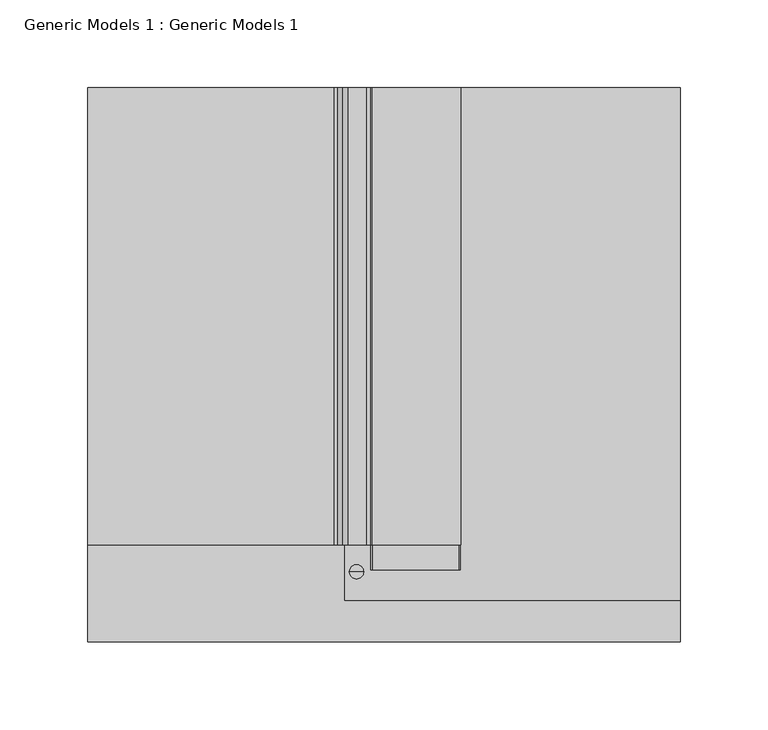
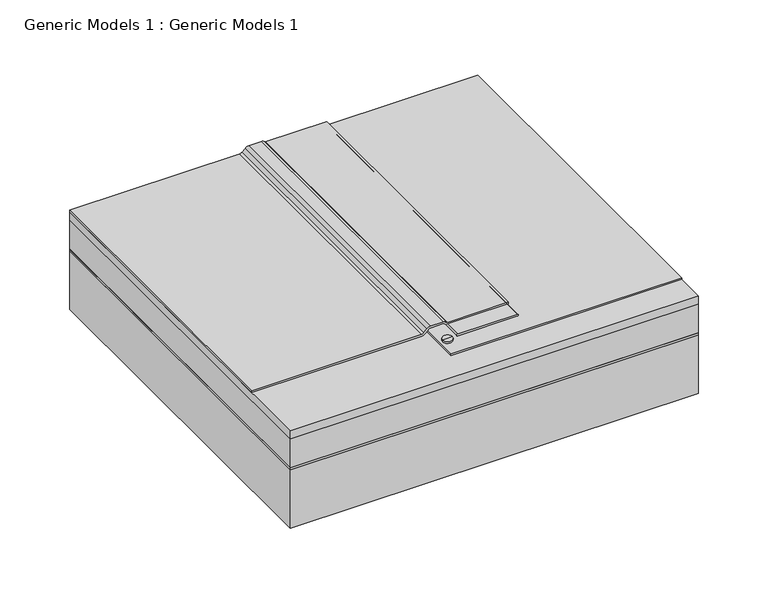
"""IFC4 building model written with IfcOpenShell, lengths in millimetres: proxy geometry, Generic Models 1 : Generic Models 1."""

from ifc_helpers import new_model, si_unit, point, frame, frame_2d, origin, place, context, project, spatial, polyline, circle_curve, trimmed, segment, composite_curve, outline, extrude, source, transform, mapped, element, save
from ifc_brep_helpers import plane_surface, cylinder_surface, revolved_surface, advanced_brep


def generic_models_1_generic_models_1_e4bf62ff(model_context):
    return source(origin(), model_context, "Body", "SolidModel", [
        extrude(outline(composite_curve([segment(polyline([(196.85, 212.4526281), (196.85, 261.6160615)]), True, "CONTINUOUS"), segment(trimmed(circle_curve(frame_2d((197.64375, 261.6160615)), 0.79375), [point((196.85, 261.6160615))], [point((198.4375, 261.6160615))], False, "CARTESIAN"), True, "CONTINUOUS"), segment(polyline([(198.4375, 261.6160615), (198.4375, 212.4526281)]), True, "CONTINUOUS"), segment(trimmed(circle_curve(frame_2d((197.64375, 212.4526281)), 0.79375), [point((198.4375, 212.4526281))], [point((196.85, 212.4526281))], False, "CARTESIAN"), True, "CONTINUOUS")], self_intersect=False)), frame((0.0, 43.2158044, 0.0), z_axis=(0.0, 1.0, 0.0), x_axis=(0.0, 0.0, 1.0)), (0.0, 0.0, 1.0), 274.2841956),
        advanced_brep(
        [(203.4562607, 42.2515896, 198.4495694), (199.4225561, 42.2515896, 198.4495694), (207.4899654, 42.2515896, 198.4495694), (199.4225561, 42.2515896, 196.85), (207.4899654, 42.2515896, 196.85), (203.0652437, 42.2515896, 196.85), (203.8472778, 42.2515896, 196.85), (203.0652437, 42.2515896, 149.8066551), (203.8472778, 42.2515896, 149.8066551), (203.4562607, 42.2515896, 146.6220765)],
        [
            (0, 1),
            (1, 2, circle_curve(frame((203.4562607, 42.2515896, 198.4495694), z_axis=(0.0, 0.0, 1.0), x_axis=(-1.0, 0.0, 0.0)), 4.0337046)),
            (2, 0),
            (1, 3),
            (3, 4, circle_curve(frame((203.4562607, 42.2515896, 196.85), z_axis=(0.0, 0.0, 1.0), x_axis=(-1.0, 0.0, 0.0)), 4.0337046)),
            (4, 2),
            (3, 5),
            (5, 6, circle_curve(frame((203.4562607, 42.2515896, 196.85), z_axis=(0.0, 0.0, 1.0), x_axis=(-1.0, 0.0, 0.0)), 0.3910171)),
            (6, 4),
            (5, 7),
            (7, 8, circle_curve(frame((203.4562607, 42.2515896, 149.8066551), z_axis=(0.0, 0.0, 1.0), x_axis=(-1.0, 0.0, 0.0)), 0.3910171)),
            (8, 6),
            (7, 9),
            (9, 8),
            (7, 8, circle_curve(frame((203.4562607, 42.2515896, 149.8066551), z_axis=(0.0, 0.0, -1.0), x_axis=(-1.0, 0.0, 0.0)), 0.3910171)),
            (5, 6, circle_curve(frame((203.4562607, 42.2515896, 196.85), z_axis=(0.0, 0.0, -1.0), x_axis=(-1.0, 0.0, 0.0)), 0.3910171)),
            (3, 4, circle_curve(frame((203.4562607, 42.2515896, 196.85), z_axis=(0.0, 0.0, -1.0), x_axis=(-1.0, 0.0, 0.0)), 4.0337046)),
            (1, 2, circle_curve(frame((203.4562607, 42.2515896, 198.4495694), z_axis=(0.0, 0.0, -1.0), x_axis=(-1.0, 0.0, 0.0)), 4.0337046)),
        ],
        [
            plane_surface(frame((203.4562607, 42.2515896, 198.4495694), z_axis=(0.0, 0.0, 1.0), x_axis=(-1.0, 0.0, 0.0))),
            cylinder_surface(frame((203.4562607, 42.2515896, 194.9841474), z_axis=(0.0, 0.0, 1.0), x_axis=(-1.0, 0.0, 0.0)), 4.0337046),
            plane_surface(frame((203.4562607, 42.2515896, 196.85), z_axis=(0.0, 0.0, -1.0), x_axis=(-1.0, 0.0, 0.0))),
            cylinder_surface(frame((203.4562607, 42.2515896, 194.9841474), z_axis=(0.0, 0.0, 1.0), x_axis=(-1.0, 0.0, 0.0)), 0.3910171),
            revolved_surface(polyline([(203.4562607, 42.2515896, 146.6220765), (203.0652437, 42.2515896, 149.8066551)]), (203.4562607, 42.2515896, 194.9841474), (0.0, 0.0, 1.0)),
        ],
        [
            (0, [[1, 2, 3]]),
            (1, [[-2, 4, 5, 6]]),
            (2, [[-5, 7, 8, 9]]),
            (3, [[-8, 10, 11, 12]]),
            (4, [[-11, 13, 14]]),
            (4, [[15, -14, -13]]),
            (3, [[16, -12, -15, -10]]),
            (2, [[17, -9, -16, -7]]),
            (1, [[18, -6, -17, -4]]),
            (0, [[-3, -18, -1]]),
        ],
    ),
        advanced_brep(
        [(208.892436, 57.5500091, 200.025), (210.0772306, 57.5500091, 199.4941068), (212.4526281, 57.5500091, 198.4375), (262.595064, 57.5500091, 198.4375), (262.595064, 57.5500091, 200.025), (212.4526281, 57.5500091, 200.025), (211.2678334, 57.5500091, 200.5558932), (208.892436, 57.5500091, 201.6125), (198.6776495, 57.5500091, 201.6125), (195.3100535, 57.5500091, 200.217596), (192.8723934, 57.5500091, 197.779936), (190.6273294, 57.5500091, 196.85), (50.8, 57.5500091, 196.85), (50.8, 57.5500091, 195.2625), (190.6273294, 57.5500091, 195.2625), (193.9949254, 57.5500091, 196.657404), (196.4325855, 57.5500091, 199.095064), (198.6776495, 57.5500091, 200.025), (208.892436, 317.5, 200.025), (198.6776495, 317.5, 200.025), (196.4325855, 317.5, 199.095064), (193.9949254, 317.5, 196.657404), (190.6273294, 317.5, 195.2625), (50.8, 317.5, 195.2625), (50.8, 317.5, 196.85), (190.6273294, 317.5, 196.85), (192.8723934, 317.5, 197.779936), (195.3100535, 317.5, 200.217596), (198.6776495, 317.5, 201.6125), (208.892436, 317.5, 201.6125), (211.2620253, 317.5, 200.5507135), (212.4526281, 317.5, 200.025), (262.595064, 317.5, 200.025), (262.595064, 317.5, 198.4375), (212.4526281, 317.5, 198.4375), (210.0830387, 317.5, 199.4992865)],
        [
            (0, 1, circle_curve(frame((208.892436, 57.5500091, 198.4375), z_axis=(0.0, 1.0, 0.0), x_axis=(1.0, 0.0, 0.0)), 1.5875)),
            (1, 2, circle_curve(frame((212.4526281, 57.5500091, 201.6125), z_axis=(0.0, -1.0, 0.0), x_axis=(1.0, 0.0, 0.0)), 3.175)),
            (2, 3),
            (3, 4),
            (4, 5),
            (5, 6, circle_curve(frame((212.4526281, 57.5500091, 201.6125), z_axis=(0.0, 1.0, 0.0), x_axis=(1.0, 0.0, 0.0)), 1.5875)),
            (6, 7, circle_curve(frame((208.892436, 57.5500091, 198.4375), z_axis=(0.0, -1.0, 0.0), x_axis=(1.0, 0.0, 0.0)), 3.175)),
            (7, 8),
            (8, 9, circle_curve(frame((198.6776495, 57.5500091, 196.85), z_axis=(0.0, -1.0, 0.0), x_axis=(1.0, 0.0, 0.0)), 4.7625)),
            (9, 10),
            (10, 11, circle_curve(frame((190.6273294, 57.5500091, 200.025), z_axis=(0.0, 1.0, 0.0), x_axis=(1.0, 0.0, 0.0)), 3.175)),
            (11, 12),
            (12, 13),
            (13, 14),
            (14, 15, circle_curve(frame((190.6273294, 57.5500091, 200.025), z_axis=(0.0, -1.0, 0.0), x_axis=(1.0, 0.0, 0.0)), 4.7625)),
            (15, 16),
            (16, 17, circle_curve(frame((198.6776495, 57.5500091, 196.85), z_axis=(0.0, 1.0, 0.0), x_axis=(1.0, 0.0, 0.0)), 3.175)),
            (17, 0),
            (18, 19),
            (19, 20, circle_curve(frame((198.6776495, 317.5, 196.85), z_axis=(0.0, -1.0, 0.0), x_axis=(1.0, 0.0, 0.0)), 3.175)),
            (20, 21),
            (21, 22, circle_curve(frame((190.6273294, 317.5, 200.025), z_axis=(0.0, 1.0, 0.0), x_axis=(1.0, 0.0, 0.0)), 4.7625)),
            (22, 23),
            (23, 24),
            (24, 25),
            (25, 26, circle_curve(frame((190.6273294, 317.5, 200.025), z_axis=(0.0, -1.0, 0.0), x_axis=(1.0, 0.0, 0.0)), 3.175)),
            (26, 27),
            (27, 28, circle_curve(frame((198.6776495, 317.5, 196.85), z_axis=(0.0, 1.0, 0.0), x_axis=(1.0, 0.0, 0.0)), 4.7625)),
            (28, 29),
            (29, 30, circle_curve(frame((208.892436, 317.5, 198.4375), z_axis=(0.0, 1.0, 0.0), x_axis=(1.0, 0.0, 0.0)), 3.175)),
            (30, 31, circle_curve(frame((212.4526281, 317.5, 201.6125), z_axis=(0.0, -1.0, 0.0), x_axis=(1.0, 0.0, 0.0)), 1.5875)),
            (31, 32),
            (32, 33),
            (33, 34),
            (34, 35, circle_curve(frame((212.4526281, 317.5, 201.6125), z_axis=(0.0, 1.0, 0.0), x_axis=(1.0, 0.0, 0.0)), 3.175)),
            (35, 18, circle_curve(frame((208.892436, 317.5, 198.4375), z_axis=(0.0, -1.0, 0.0), x_axis=(1.0, 0.0, 0.0)), 1.5875)),
            (18, 0),
            (17, 19),
            (28, 8),
            (7, 29),
            (20, 16),
            (15, 21),
            (22, 14),
            (13, 23),
            (12, 24),
            (11, 25),
            (26, 10),
            (9, 27),
            (31, 5),
            (4, 32),
            (3, 33),
            (2, 34),
            (6, 30),
            (1, 35),
        ],
        [
            plane_surface(frame((-285.75, 57.5500091, 200.025), z_axis=(0.0, -1.0, 0.0), x_axis=(1.0, 0.0, 0.0))),
            plane_surface(frame((-285.75, 317.5, 200.025), z_axis=(0.0, 1.0, 0.0), x_axis=(-1.0, 0.0, 0.0))),
            plane_surface(frame((208.892436, 317.5, 200.025), z_axis=(0.0, 0.0, -1.0), x_axis=(0.0, -1.0, 0.0))),
            plane_surface(frame((198.6776495, 317.5, 201.6125), z_axis=(0.0, 0.0, 1.0), x_axis=(0.0, -1.0, 0.0))),
            plane_surface(frame((196.4325855, 317.5, 199.095064), z_axis=(0.7071067811865573, 0.0, -0.7071067811865377), x_axis=(0.0, -1.0, 0.0))),
            plane_surface(frame((190.6273294, 317.5, 195.2625), z_axis=(0.0, 0.0, -1.0), x_axis=(0.0, -1.0, 0.0))),
            plane_surface(frame((50.8, 317.5, 195.2625), z_axis=(-1.0, 0.0, 0.0), x_axis=(0.0, -1.0, 0.0))),
            plane_surface(frame((50.8, 317.5, 196.85), z_axis=(0.0, 0.0, 1.0), x_axis=(0.0, -1.0, 0.0))),
            plane_surface(frame((192.8723934, 317.5, 197.779936), z_axis=(-0.7071067811865476, 0.0, 0.7071067811865476), x_axis=(0.0, -1.0, 0.0))),
            plane_surface(frame((212.4526281, 317.5, 200.025), z_axis=(0.0, 0.0, 1.0), x_axis=(0.0, -1.0, 0.0))),
            plane_surface(frame((262.595064, 317.5, 200.025), z_axis=(1.0, 0.0, 0.0), x_axis=(0.0, -1.0, 0.0))),
            plane_surface(frame((262.595064, 317.5, 198.4375), z_axis=(0.0, 0.0, -1.0), x_axis=(0.0, -1.0, 0.0))),
            revolved_surface(polyline([(201.8526495, 57.5500091, 196.85), (201.8526495, 317.5, 196.85)]), (198.6776495, 57.5500091, 196.85), (0.0, -1.0, 0.0)),
            cylinder_surface(frame((190.6273294, 57.5500091, 200.025), z_axis=(0.0, 1.0, 0.0), x_axis=(1.0, 0.0, 0.0)), 4.7625),
            revolved_surface(polyline([(193.80232940000002, 57.5500091, 200.025), (193.80232940000002, 317.5, 200.025)]), (190.6273294, 57.5500091, 200.025), (0.0, -1.0, 0.0)),
            cylinder_surface(frame((198.6776495, 57.5500091, 196.85), z_axis=(0.0, 1.0, 0.0), x_axis=(1.0, 0.0, 0.0)), 4.7625),
            cylinder_surface(frame((208.892436, 57.5500091, 198.4375), z_axis=(0.0, 1.0, 0.0), x_axis=(1.0, 0.0, 0.0)), 3.175),
            revolved_surface(polyline([(214.0401281, 57.5500091, 201.6125), (214.0401281, 317.5, 201.6125)]), (212.4526281, 57.5500091, 201.6125), (0.0, -1.0, 0.0)),
            cylinder_surface(frame((212.4526281, 57.5500091, 201.6125), z_axis=(0.0, 1.0, 0.0), x_axis=(1.0, 0.0, 0.0)), 3.175),
            revolved_surface(polyline([(210.479936, 57.5500091, 198.4375), (210.479936, 317.5, 198.4375)]), (208.892436, 57.5500091, 198.4375), (0.0, -1.0, 0.0)),
        ],
        [
            (0, [[1, 2, 3, 4, 5, 6, 7, 8, 9, 10, 11, 12, 13, 14, 15, 16, 17, 18]]),
            (1, [[19, 20, 21, 22, 23, 24, 25, 26, 27, 28, 29, 30, 31, 32, 33, 34, 35, 36]]),
            (2, [[-19, 37, -18, 38]]),
            (3, [[-29, 39, -8, 40]]),
            (4, [[-21, 41, -16, 42]]),
            (5, [[-23, 43, -14, 44]]),
            (6, [[-24, -44, -13, 45]]),
            (7, [[-25, -45, -12, 46]]),
            (8, [[-27, 47, -10, 48]]),
            (9, [[-32, 49, -5, 50]]),
            (10, [[-33, -50, -4, 51]]),
            (11, [[-34, -51, -3, 52]]),
            (12, [[-20, -38, -17, -41]]),
            (13, [[-22, -42, -15, -43]]),
            (14, [[-26, -46, -11, -47]]),
            (15, [[-28, -48, -9, -39]]),
            (16, [[-30, -40, -7, 53]]),
            (17, [[-31, -53, -6, -49]]),
            (18, [[-35, -52, -2, 54]]),
            (19, [[-36, -54, -1, -37]]),
        ],
    ),
        extrude(outline(polyline([(50.8, 317.5), (387.35, 317.5), (387.35, 2.38125), (50.8, 2.38125), (50.8, 317.5)])), frame((0.0, 0.0, 188.11875), z_axis=(0.0, 0.0, 1.0), x_axis=(1.0, 0.0, 0.0)), (0.0, 0.0, 1.0), 7.14375),
        extrude(outline(polyline([(50.8, 317.5), (387.35, 317.5), (387.35, 2.38125), (50.8, 2.38125), (50.8, 317.5)])), frame((0.0, 0.0, 161.13125), z_axis=(0.0, 0.0, 1.0), x_axis=(1.0, 0.0, 0.0)), (0.0, 0.0, 1.0), 1.5875),
        extrude(outline(polyline([(387.35, 2.38125), (50.8, 2.38125), (50.8, 317.5), (387.35, 317.5), (387.35, 2.38125)])), frame((0.0, 0.0, 110.33125), z_axis=(0.0, 0.0, 1.0), x_axis=(1.0, 0.0, 0.0)), (0.0, 0.0, 1.0), 50.8),
        extrude(outline(polyline([(196.85, 317.5), (387.35, 317.5), (387.35, 25.8796684), (196.85, 25.8796684), (196.85, 317.5)])), frame((0.0, 0.0, 195.2625), z_axis=(0.0, 0.0, 1.0), x_axis=(1.0, 0.0, 0.0)), (0.0, 0.0, 1.0), 1.5875),
        extrude(outline(polyline([(387.35, 2.38125), (50.8, 2.38125), (50.8, 317.5), (387.35, 317.5), (387.35, 2.38125)])), frame((0.0, 0.0, 162.71875), z_axis=(0.0, 0.0, 1.0), x_axis=(1.0, 0.0, 0.0)), (0.0, 0.0, 1.0), 25.4),
    ])


if __name__ == "__main__":
    model = new_model("IFC4")
    model_context = context("Model", 3, world=origin())
    ifc_project = project(units=[si_unit("LENGTHUNIT", "METRE", prefix="MILLI")], contexts=[model_context])
    site = spatial("IfcSite", under=ifc_project)
    building = spatial("IfcBuilding", under=site)
    placement = place(None, origin())
    generic_models_1_generic_models_1_shape = generic_models_1_generic_models_1_e4bf62ff(model_context)
    element("IfcBuildingElementProxy", 1, Name="Generic Models 1 : Generic Models 1", ObjectType="Generic Models 1 : Generic Models 1", at=placement, inside=building, context=model_context, shape_type="MappedRepresentation", body=[
        mapped(generic_models_1_generic_models_1_shape, transform((0.0, 0.0, 0.0), x_axis=(1.0, 0.0, 0.0), y_axis=(0.0, 1.0, 0.0), z_axis=(0.0, 0.0, 1.0))),
    ])
    save(model, "model.ifc")
